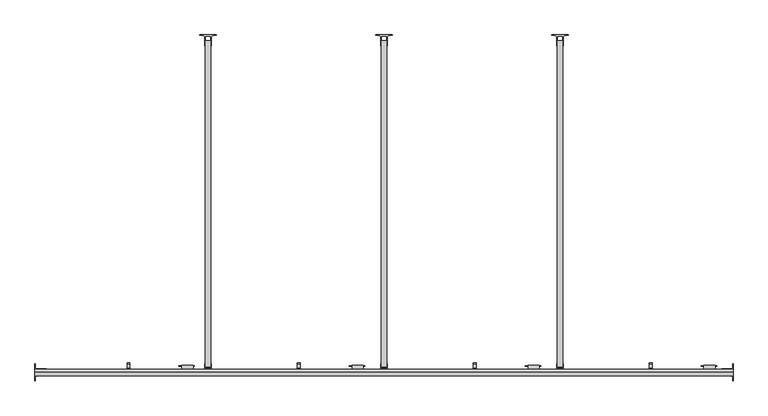
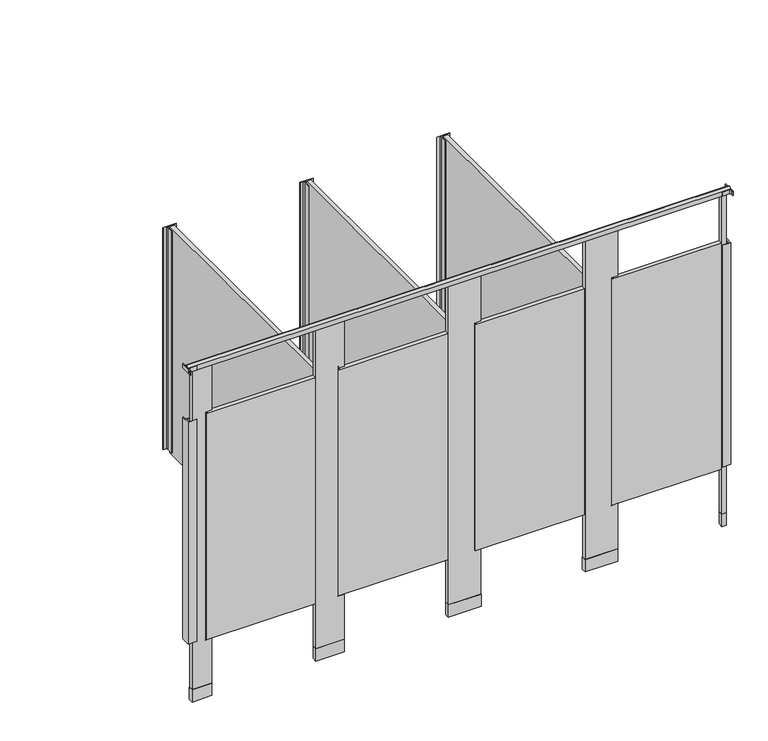
"""IFC4 building model written with IfcOpenShell, lengths in millimetres: proxy geometry."""

from ifc_helpers import new_model, si_unit, point, frame, frame_2d, origin, origin_with_axes, place, context, project, spatial, polyline, circle_curve, trimmed, segment, composite_curve, outline, extrude, source, transform, mapped, element, save


def specialty_equipment_6758f5ce(model_context):
    return source(origin(), model_context, "Body", "SweptSolid", [
        extrude(outline(composite_curve([segment(trimmed(circle_curve(frame_2d((154.6354547, -1533.525)), 4.1602747), [point((158.7957294, -1533.525))], [point((150.47518, -1533.525))], False, "CARTESIAN"), True, "CONTINUOUS"), segment(trimmed(circle_curve(frame_2d((154.6354547, -1533.525)), 4.1602747), [point((150.47518, -1533.525))], [point((158.7957294, -1533.525))], False, "CARTESIAN"), True, "CONTINUOUS")], self_intersect=False)), frame((0.0, 0.0, 1752.6), z_axis=(0.0, 0.0, 1.0), x_axis=(1.0, 0.0, 0.0)), (0.0, 0.0, 1.0), 12.7),
        extrude(outline(polyline([(763.0932592, -1506.2050203), (693.0733709, -1506.2050203), (693.0733709, -1503.2324847), (763.0932592, -1503.2324847), (763.0932592, -1506.2050203)])), frame((0.0, 0.0, 1041.4), z_axis=(0.0, 0.0, 1.0), x_axis=(1.0, 0.0, 0.0)), (0.0, 0.0, 1.0), 25.4),
        extrude(outline(polyline([(-1520.8241724, 1525.7003365), (-1520.8241724, 1576.5003365), (-1514.4741724, 1576.5003365), (-1514.4741724, 1532.0503365), (-1495.4241724, 1532.0503365), (-1495.4241724, 1538.4003365), (-1489.0741724, 1538.4003365), (-1489.0741724, 1525.7003365), (-1520.8241724, 1525.7003365)])), frame((457.2002547, 0.0, 0.0), z_axis=(1.0, 0.0, 0.0), x_axis=(0.0, 1.0, 0.0)), (0.0, 0.0, 1.0), 12.7),
        extrude(outline(polyline([(757.2250547, -1520.8241724), (705.7733709, -1520.8241724), (705.7733709, -1500.7465532), (757.2250547, -1500.7465532), (757.2250547, -1520.8241724)])), frame((0.0, 0.0, 1003.3), z_axis=(0.0, 0.0, 1.0), x_axis=(1.0, 0.0, 0.0)), (0.0, 0.0, 1.0), 101.6),
        extrude(outline(composite_curve([segment(trimmed(circle_curve(frame_2d((2529.5354547, -1533.525)), 4.1602747), [point((2533.6957294, -1533.525))], [point((2525.37518, -1533.525))], False, "CARTESIAN"), True, "CONTINUOUS"), segment(trimmed(circle_curve(frame_2d((2529.5354547, -1533.525)), 4.1602747), [point((2525.37518, -1533.525))], [point((2533.6957294, -1533.525))], False, "CARTESIAN"), True, "CONTINUOUS")], self_intersect=False)), frame((0.0, 0.0, 1752.6), z_axis=(0.0, 0.0, 1.0), x_axis=(1.0, 0.0, 0.0)), (0.0, 0.0, 1.0), 12.7),
        extrude(outline(polyline([(3137.9932592, -1506.2050203), (3067.9733709, -1506.2050203), (3067.9733709, -1503.2324847), (3137.9932592, -1503.2324847), (3137.9932592, -1506.2050203)])), frame((0.0, 0.0, 1041.4), z_axis=(0.0, 0.0, 1.0), x_axis=(1.0, 0.0, 0.0)), (0.0, 0.0, 1.0), 25.4),
        extrude(outline(polyline([(-1520.8241724, 1525.7003365), (-1520.8241724, 1576.5003365), (-1514.4741724, 1576.5003365), (-1514.4741724, 1532.0503365), (-1495.4241724, 1532.0503365), (-1495.4241724, 1538.4003365), (-1489.0741724, 1538.4003365), (-1489.0741724, 1525.7003365), (-1520.8241724, 1525.7003365)])), frame((2832.1002547, 0.0, 0.0), z_axis=(1.0, 0.0, 0.0), x_axis=(0.0, 1.0, 0.0)), (0.0, 0.0, 1.0), 12.7),
        extrude(outline(polyline([(3132.1250547, -1520.8241724), (3080.6733709, -1520.8241724), (3080.6733709, -1500.7465532), (3132.1250547, -1500.7465532), (3132.1250547, -1520.8241724)])), frame((0.0, 0.0, 1003.3), z_axis=(0.0, 0.0, 1.0), x_axis=(1.0, 0.0, 0.0)), (0.0, 0.0, 1.0), 101.6),
        extrude(outline(polyline([(2410.4602547, -1520.825), (2410.4602547, -1495.425), (2413.0002547, -1495.425), (2413.0002547, -1513.8771812), (2438.4002547, -1513.8771812), (2438.4002547, -1495.425), (2440.9402547, -1495.425), (2440.9402547, -1520.825), (2410.4602547, -1520.825)])), frame((0.0, 0.0, 368.3), z_axis=(0.0, 0.0, 1.0), x_axis=(1.0, 0.0, 0.0)), (0.0, 0.0, 1.0), 1371.6),
        extrude(outline(composite_curve([segment(polyline([(2463.8002547, 3.175), (2463.8002547, 0.635), (2447.2902547, 0.635)]), True, "CONTINUOUS"), segment(trimmed(circle_curve(frame_2d((2447.2902547, -5.715)), 6.35), [point((2447.2902547, 0.635))], [point((2440.9402547, -5.715))], True, "CARTESIAN"), True, "CONTINUOUS"), segment(polyline([(2440.9402547, -5.715), (2440.9402547, -47.625), (2438.4002547, -47.625), (2438.4002547, -3.7728188), (2413.0002547, -3.7728188), (2413.0002547, -47.625), (2410.4602547, -47.625), (2410.4602547, -5.715)]), True, "CONTINUOUS"), segment(trimmed(circle_curve(frame_2d((2404.1102547, -5.715)), 6.35), [point((2410.4602547, -5.715))], [point((2404.1102547, 0.635))], True, "CARTESIAN"), True, "CONTINUOUS"), segment(polyline([(2404.1102547, 0.635), (2387.6002547, 0.635), (2387.6002547, 3.175), (2463.8002547, 3.175)]), True, "CONTINUOUS")], self_intersect=False)), frame((0.0, 0.0, 368.3), z_axis=(0.0, 0.0, 1.0), x_axis=(1.0, 0.0, 0.0)), (0.0, 0.0, 1.0), 1371.6),
        extrude(outline(composite_curve([segment(trimmed(circle_curve(frame_2d((1729.4354547, -1533.525)), 4.1602747), [point((1733.5957294, -1533.525))], [point((1725.27518, -1533.525))], False, "CARTESIAN"), True, "CONTINUOUS"), segment(trimmed(circle_curve(frame_2d((1729.4354547, -1533.525)), 4.1602747), [point((1725.27518, -1533.525))], [point((1733.5957294, -1533.525))], False, "CARTESIAN"), True, "CONTINUOUS")], self_intersect=False)), frame((0.0, 0.0, 1752.6), z_axis=(0.0, 0.0, 1.0), x_axis=(1.0, 0.0, 0.0)), (0.0, 0.0, 1.0), 12.7),
        extrude(outline(polyline([(2337.8932592, -1506.2050203), (2267.8733709, -1506.2050203), (2267.8733709, -1503.2324847), (2337.8932592, -1503.2324847), (2337.8932592, -1506.2050203)])), frame((0.0, 0.0, 1041.4), z_axis=(0.0, 0.0, 1.0), x_axis=(1.0, 0.0, 0.0)), (0.0, 0.0, 1.0), 25.4),
        extrude(outline(polyline([(-1520.8241724, 1525.7003365), (-1520.8241724, 1576.5003365), (-1514.4741724, 1576.5003365), (-1514.4741724, 1532.0503365), (-1495.4241724, 1532.0503365), (-1495.4241724, 1538.4003365), (-1489.0741724, 1538.4003365), (-1489.0741724, 1525.7003365), (-1520.8241724, 1525.7003365)])), frame((2032.0002547, 0.0, 0.0), z_axis=(1.0, 0.0, 0.0), x_axis=(0.0, 1.0, 0.0)), (0.0, 0.0, 1.0), 12.7),
        extrude(outline(polyline([(2332.0250547, -1520.8241724), (2280.5733709, -1520.8241724), (2280.5733709, -1500.7465532), (2332.0250547, -1500.7465532), (2332.0250547, -1520.8241724)])), frame((0.0, 0.0, 1003.3), z_axis=(0.0, 0.0, 1.0), x_axis=(1.0, 0.0, 0.0)), (0.0, 0.0, 1.0), 101.6),
        extrude(outline(polyline([(2361.2858547, -1519.9106), (2553.6146547, -1519.9106), (2553.6146547, -1547.1394), (2361.2858547, -1547.1394), (2361.2858547, -1519.9106)])), origin_with_axes(), (0.0, 0.0, 1.0), 76.2),
        extrude(outline(polyline([(2357.4250547, -1546.225), (1719.2754547, -1546.225), (1719.2754547, -1520.825), (2357.4250547, -1520.825), (2357.4250547, -1546.225)])), frame((0.0, 0.0, 355.6), z_axis=(0.0, 0.0, 1.0), x_axis=(1.0, 0.0, 0.0)), (0.0, 0.0, 1.0), 1397.0),
        extrude(outline(polyline([(2063.75, 2552.7002547), (2063.75, 2362.2002547), (0.0, 2362.2002547), (0.0, 2552.7002547), (355.6, 2552.7002547), (355.6, 2514.6002547), (1765.3, 2514.6002547), (1765.3, 2552.7002547), (2063.75, 2552.7002547)])), frame((0.0, -1546.225, 0.0), z_axis=(0.0, 1.0, 0.0), x_axis=(0.0, 0.0, 1.0)), (0.0, 0.0, 1.0), 25.4),
        extrude(outline(polyline([(2438.4002547, -22.225), (2438.4002547, -1508.125), (2413.0002547, -1508.125), (2413.0002547, -22.225), (2438.4002547, -22.225)])), frame((0.0, 0.0, 355.6), z_axis=(0.0, 0.0, 1.0), x_axis=(1.0, 0.0, 0.0)), (0.0, 0.0, 1.0), 1397.0),
        extrude(outline(polyline([(1610.3602547, -1520.825), (1610.3602547, -1495.425), (1612.9002547, -1495.425), (1612.9002547, -1513.8771812), (1638.3002547, -1513.8771812), (1638.3002547, -1495.425), (1640.8402547, -1495.425), (1640.8402547, -1520.825), (1610.3602547, -1520.825)])), frame((0.0, 0.0, 368.3), z_axis=(0.0, 0.0, 1.0), x_axis=(1.0, 0.0, 0.0)), (0.0, 0.0, 1.0), 1371.6),
        extrude(outline(composite_curve([segment(polyline([(1663.7002547, 3.175), (1663.7002547, 0.635), (1647.1902547, 0.635)]), True, "CONTINUOUS"), segment(trimmed(circle_curve(frame_2d((1647.1902547, -5.715)), 6.35), [point((1647.1902547, 0.635))], [point((1640.8402547, -5.715))], True, "CARTESIAN"), True, "CONTINUOUS"), segment(polyline([(1640.8402547, -5.715), (1640.8402547, -47.625), (1638.3002547, -47.625), (1638.3002547, -3.7728188), (1612.9002547, -3.7728188), (1612.9002547, -47.625), (1610.3602547, -47.625), (1610.3602547, -5.715)]), True, "CONTINUOUS"), segment(trimmed(circle_curve(frame_2d((1604.0102547, -5.715)), 6.35), [point((1610.3602547, -5.715))], [point((1604.0102547, 0.635))], True, "CARTESIAN"), True, "CONTINUOUS"), segment(polyline([(1604.0102547, 0.635), (1587.5002547, 0.635), (1587.5002547, 3.175), (1663.7002547, 3.175)]), True, "CONTINUOUS")], self_intersect=False)), frame((0.0, 0.0, 368.3), z_axis=(0.0, 0.0, 1.0), x_axis=(1.0, 0.0, 0.0)), (0.0, 0.0, 1.0), 1371.6),
        extrude(outline(composite_curve([segment(polyline([(38.1002547, -1495.425), (40.6402547, -1495.425), (40.6402547, -1511.935)]), True, "CONTINUOUS"), segment(trimmed(circle_curve(frame_2d((46.9902547, -1511.935)), 6.35), [point((40.6402547, -1511.935))], [point((46.9902547, -1518.285))], True, "CARTESIAN"), True, "CONTINUOUS"), segment(polyline([(46.9902547, -1518.285), (88.9002547, -1518.285), (88.9002547, -1520.825), (45.0480735, -1520.825), (45.0480735, -1546.225), (88.9002547, -1546.225), (88.9002547, -1548.765), (46.9902547, -1548.765)]), True, "CONTINUOUS"), segment(trimmed(circle_curve(frame_2d((46.9902547, -1555.115)), 6.35), [point((46.9902547, -1548.765))], [point((40.6402547, -1555.115))], True, "CARTESIAN"), True, "CONTINUOUS"), segment(polyline([(40.6402547, -1555.115), (40.6402547, -1571.625), (38.1002547, -1571.625), (38.1002547, -1495.425)]), True, "CONTINUOUS")], self_intersect=False)), frame((0.0, 0.0, 2044.7), z_axis=(0.0, 0.0, 1.0), x_axis=(1.0, 0.0, 0.0)), (0.0, 0.0, 1.0), 25.4),
        extrude(outline(composite_curve([segment(polyline([(3213.1002547, -1571.625), (3210.5602547, -1571.625), (3210.5602547, -1555.115)]), True, "CONTINUOUS"), segment(trimmed(circle_curve(frame_2d((3204.2102547, -1555.115)), 6.35), [point((3210.5602547, -1555.115))], [point((3204.2102547, -1548.765))], True, "CARTESIAN"), True, "CONTINUOUS"), segment(polyline([(3204.2102547, -1548.765), (3162.3002547, -1548.765), (3162.3002547, -1546.225), (3206.1524359, -1546.225), (3206.1524359, -1520.825), (3162.3002547, -1520.825), (3162.3002547, -1518.285), (3204.2102547, -1518.285)]), True, "CONTINUOUS"), segment(trimmed(circle_curve(frame_2d((3204.2102547, -1511.935)), 6.35), [point((3204.2102547, -1518.285))], [point((3210.5602547, -1511.935))], True, "CARTESIAN"), True, "CONTINUOUS"), segment(polyline([(3210.5602547, -1511.935), (3210.5602547, -1495.425), (3213.1002547, -1495.425), (3213.1002547, -1571.625)]), True, "CONTINUOUS")], self_intersect=False)), frame((0.0, 0.0, 2044.7), z_axis=(0.0, 0.0, 1.0), x_axis=(1.0, 0.0, 0.0)), (0.0, 0.0, 1.0), 25.4),
        extrude(outline(composite_curve([segment(polyline([(3213.1002547, -1495.425), (3213.1002547, -1548.765), (3162.3002547, -1548.765), (3162.3002547, -1546.225), (3206.1524359, -1546.225), (3206.1524359, -1520.825), (3162.3002547, -1520.825), (3162.3002547, -1518.285), (3204.2102547, -1518.285)]), True, "CONTINUOUS"), segment(trimmed(circle_curve(frame_2d((3204.2102547, -1511.935)), 6.35), [point((3204.2102547, -1518.285))], [point((3210.5602547, -1511.935))], True, "CARTESIAN"), True, "CONTINUOUS"), segment(polyline([(3210.5602547, -1511.935), (3210.5602547, -1495.425), (3213.1002547, -1495.425)]), True, "CONTINUOUS")], self_intersect=False)), frame((0.0, 0.0, 368.3), z_axis=(0.0, 0.0, 1.0), x_axis=(1.0, 0.0, 0.0)), (0.0, 0.0, 1.0), 1371.6),
        extrude(outline(composite_curve([segment(polyline([(38.1002547, -1495.425), (40.6402547, -1495.425), (40.6402547, -1511.935)]), True, "CONTINUOUS"), segment(trimmed(circle_curve(frame_2d((46.9902547, -1511.935)), 6.35), [point((40.6402547, -1511.935))], [point((46.9902547, -1518.285))], True, "CARTESIAN"), True, "CONTINUOUS"), segment(polyline([(46.9902547, -1518.285), (88.9002547, -1518.285), (88.9002547, -1520.825), (45.0480735, -1520.825), (45.0480735, -1546.225), (88.9002547, -1546.225), (88.9002547, -1548.765), (38.1002547, -1548.765), (38.1002547, -1495.425)]), True, "CONTINUOUS")], self_intersect=False)), frame((0.0, 0.0, 368.3), z_axis=(0.0, 0.0, 1.0), x_axis=(1.0, 0.0, 0.0)), (0.0, 0.0, 1.0), 1371.6),
        extrude(outline(polyline([(810.2602547, -1520.825), (810.2602547, -1495.425), (812.8002547, -1495.425), (812.8002547, -1513.8771812), (838.2002547, -1513.8771812), (838.2002547, -1495.425), (840.7402547, -1495.425), (840.7402547, -1520.825), (810.2602547, -1520.825)])), frame((0.0, 0.0, 368.3), z_axis=(0.0, 0.0, 1.0), x_axis=(1.0, 0.0, 0.0)), (0.0, 0.0, 1.0), 1371.6),
        extrude(outline(composite_curve([segment(polyline([(863.6002547, 3.175), (863.6002547, 0.635), (847.0902547, 0.635)]), True, "CONTINUOUS"), segment(trimmed(circle_curve(frame_2d((847.0902547, -5.715)), 6.35), [point((847.0902547, 0.635))], [point((840.7402547, -5.715))], True, "CARTESIAN"), True, "CONTINUOUS"), segment(polyline([(840.7402547, -5.715), (840.7402547, -47.625), (838.2002547, -47.625), (838.2002547, -3.7728188), (812.8002547, -3.7728188), (812.8002547, -47.625), (810.2602547, -47.625), (810.2602547, -5.715)]), True, "CONTINUOUS"), segment(trimmed(circle_curve(frame_2d((803.9102547, -5.715)), 6.35), [point((810.2602547, -5.715))], [point((803.9102547, 0.635))], True, "CARTESIAN"), True, "CONTINUOUS"), segment(polyline([(803.9102547, 0.635), (787.4002547, 0.635), (787.4002547, 3.175), (863.6002547, 3.175)]), True, "CONTINUOUS")], self_intersect=False)), frame((0.0, 0.0, 368.3), z_axis=(0.0, 0.0, 1.0), x_axis=(1.0, 0.0, 0.0)), (0.0, 0.0, 1.0), 1371.6),
        extrude(outline(polyline([(62.5858547, -1519.9106), (178.7146547, -1519.9106), (178.7146547, -1547.1394), (62.5858547, -1547.1394), (62.5858547, -1519.9106)])), origin_with_axes(), (0.0, 0.0, 1.0), 76.2),
        extrude(outline(polyline([(786.4858547, -1519.9106), (953.4146547, -1519.9106), (953.4146547, -1547.1394), (786.4858547, -1547.1394), (786.4858547, -1519.9106)])), origin_with_axes(), (0.0, 0.0, 1.0), 76.2),
        extrude(outline(polyline([(3161.3858547, -1519.9106), (3188.6146547, -1519.9106), (3188.6146547, -1547.1394), (3161.3858547, -1547.1394), (3161.3858547, -1519.9106)])), origin_with_axes(), (0.0, 0.0, 1.0), 76.2),
        extrude(outline(composite_curve([segment(trimmed(circle_curve(frame_2d((929.3354547, -1533.525)), 4.1602747), [point((933.4957294, -1533.525))], [point((925.17518, -1533.525))], False, "CARTESIAN"), True, "CONTINUOUS"), segment(trimmed(circle_curve(frame_2d((929.3354547, -1533.525)), 4.1602747), [point((925.17518, -1533.525))], [point((933.4957294, -1533.525))], False, "CARTESIAN"), True, "CONTINUOUS")], self_intersect=False)), frame((0.0, 0.0, 1752.6), z_axis=(0.0, 0.0, 1.0), x_axis=(1.0, 0.0, 0.0)), (0.0, 0.0, 1.0), 12.7),
        extrude(outline(polyline([(1537.7932592, -1506.2050203), (1467.7733709, -1506.2050203), (1467.7733709, -1503.2324847), (1537.7932592, -1503.2324847), (1537.7932592, -1506.2050203)])), frame((0.0, 0.0, 1041.4), z_axis=(0.0, 0.0, 1.0), x_axis=(1.0, 0.0, 0.0)), (0.0, 0.0, 1.0), 25.4),
        extrude(outline(polyline([(-1520.8241724, 1525.7003365), (-1520.8241724, 1576.5003365), (-1514.4741724, 1576.5003365), (-1514.4741724, 1532.0503365), (-1495.4241724, 1532.0503365), (-1495.4241724, 1538.4003365), (-1489.0741724, 1538.4003365), (-1489.0741724, 1525.7003365), (-1520.8241724, 1525.7003365)])), frame((1231.9002547, 0.0, 0.0), z_axis=(1.0, 0.0, 0.0), x_axis=(0.0, 1.0, 0.0)), (0.0, 0.0, 1.0), 12.7),
        extrude(outline(polyline([(1531.9250547, -1520.8241724), (1480.4733709, -1520.8241724), (1480.4733709, -1500.7465532), (1531.9250547, -1500.7465532), (1531.9250547, -1520.8241724)])), frame((0.0, 0.0, 1003.3), z_axis=(0.0, 0.0, 1.0), x_axis=(1.0, 0.0, 0.0)), (0.0, 0.0, 1.0), 101.6),
        extrude(outline(polyline([(1561.1858547, -1519.9106), (1753.5146547, -1519.9106), (1753.5146547, -1547.1394), (1561.1858547, -1547.1394), (1561.1858547, -1519.9106)])), origin_with_axes(), (0.0, 0.0, 1.0), 76.2),
        extrude(outline(polyline([(1557.3250547, -1546.225), (919.1754547, -1546.225), (919.1754547, -1520.825), (1557.3250547, -1520.825), (1557.3250547, -1546.225)])), frame((0.0, 0.0, 355.6), z_axis=(0.0, 0.0, 1.0), x_axis=(1.0, 0.0, 0.0)), (0.0, 0.0, 1.0), 1397.0),
        extrude(outline(polyline([(2063.75, 1752.6002547), (2063.75, 1562.1002547), (0.0, 1562.1002547), (0.0, 1752.6002547), (355.6, 1752.6002547), (355.6, 1714.5002547), (1765.3, 1714.5002547), (1765.3, 1752.6002547), (2063.75, 1752.6002547)])), frame((0.0, -1546.225, 0.0), z_axis=(0.0, 1.0, 0.0), x_axis=(0.0, 0.0, 1.0)), (0.0, 0.0, 1.0), 25.4),
        extrude(outline(polyline([(1638.3002547, -22.225), (1638.3002547, -1508.125), (1612.9002547, -1508.125), (1612.9002547, -22.225), (1638.3002547, -22.225)])), frame((0.0, 0.0, 355.6), z_axis=(0.0, 0.0, 1.0), x_axis=(1.0, 0.0, 0.0)), (0.0, 0.0, 1.0), 1397.0),
        extrude(outline(polyline([(3157.5250547, -1546.225), (2519.3754547, -1546.225), (2519.3754547, -1520.825), (3157.5250547, -1520.825), (3157.5250547, -1546.225)])), frame((0.0, 0.0, 355.6), z_axis=(0.0, 0.0, 1.0), x_axis=(1.0, 0.0, 0.0)), (0.0, 0.0, 1.0), 1397.0),
        extrude(outline(polyline([(782.6250547, -1546.225), (144.4754547, -1546.225), (144.4754547, -1520.825), (782.6250547, -1520.825), (782.6250547, -1546.225)])), frame((0.0, 0.0, 355.6), z_axis=(0.0, 0.0, 1.0), x_axis=(1.0, 0.0, 0.0)), (0.0, 0.0, 1.0), 1397.0),
        extrude(outline(polyline([(3162.3002547, -1520.825), (3187.7002547, -1520.825), (3187.7002547, -1546.225), (3162.3002547, -1546.225), (3162.3002547, -1520.825)])), origin_with_axes(), (0.0, 0.0, 1.0), 2063.75),
        extrude(outline(polyline([(0.0, 952.5002547), (355.6, 952.5002547), (355.6, 914.4002547), (1765.3, 914.4002547), (1765.3, 952.5002547), (2063.75, 952.5002547), (2063.75, 787.4002547), (0.0, 787.4002547), (0.0, 952.5002547)])), frame((0.0, -1546.225, 0.0), z_axis=(0.0, 1.0, 0.0), x_axis=(0.0, 0.0, 1.0)), (0.0, 0.0, 1.0), 25.4),
        extrude(outline(polyline([(2063.75, 177.8002547), (2063.75, 63.5002547), (0.0, 63.5002547), (0.0, 177.8002547), (355.6, 177.8002547), (355.6, 139.7002547), (1765.3, 139.7002547), (1765.3, 177.8002547), (2063.75, 177.8002547)])), frame((0.0, -1546.225, 0.0), z_axis=(0.0, 1.0, 0.0), x_axis=(0.0, 0.0, 1.0)), (0.0, 0.0, 1.0), 25.4),
        extrude(outline(polyline([(812.8002547, -1508.125), (812.8002547, -22.225), (838.2002547, -22.225), (838.2002547, -1508.125), (812.8002547, -1508.125)])), frame((0.0, 0.0, 355.6), z_axis=(0.0, 0.0, 1.0), x_axis=(1.0, 0.0, 0.0)), (0.0, 0.0, 1.0), 1397.0),
        extrude(outline(composite_curve([segment(polyline([(-1548.511, 2044.7), (-1548.511, 2073.275)]), True, "CONTINUOUS"), segment(trimmed(circle_curve(frame_2d((-1550.0589964, 2092.262001)), 19.05), [point((-1548.511, 2073.275))], [point((-1533.525, 2082.8))], True, "CARTESIAN"), True, "CONTINUOUS"), segment(trimmed(circle_curve(frame_2d((-1516.9910036, 2092.262001)), 19.05), [point((-1533.525, 2082.8))], [point((-1518.539, 2073.275))], True, "CARTESIAN"), True, "CONTINUOUS"), segment(polyline([(-1518.539, 2073.275), (-1518.539, 2044.7), (-1548.511, 2044.7)]), True, "CONTINUOUS")], self_intersect=False)), frame((38.1002547, 0.0, 0.0), z_axis=(1.0, 0.0, 0.0), x_axis=(0.0, 1.0, 0.0)), (0.0, 0.0, 1.0), 3175.0),
    ])


if __name__ == "__main__":
    model = new_model("IFC4")
    model_context = context("Model", 3, world=origin())
    ifc_project = project(units=[si_unit("LENGTHUNIT", "METRE", prefix="MILLI")], contexts=[model_context])
    site = spatial("IfcSite", under=ifc_project)
    building = spatial("IfcBuilding", under=site)
    placement = place(None, origin())
    specialty_equipment_shape = specialty_equipment_6758f5ce(model_context)
    element("IfcBuildingElementProxy", 1, Name="Specialty Equipment", at=placement, inside=building, context=model_context, shape_type="MappedRepresentation", body=[
        mapped(specialty_equipment_shape, transform((0.0, 0.0, 0.0), x_axis=(1.0, 0.0, 0.0), y_axis=(0.0, 1.0, 0.0), z_axis=(0.0, 0.0, 1.0))),
    ])
    save(model, "model.ifc")
